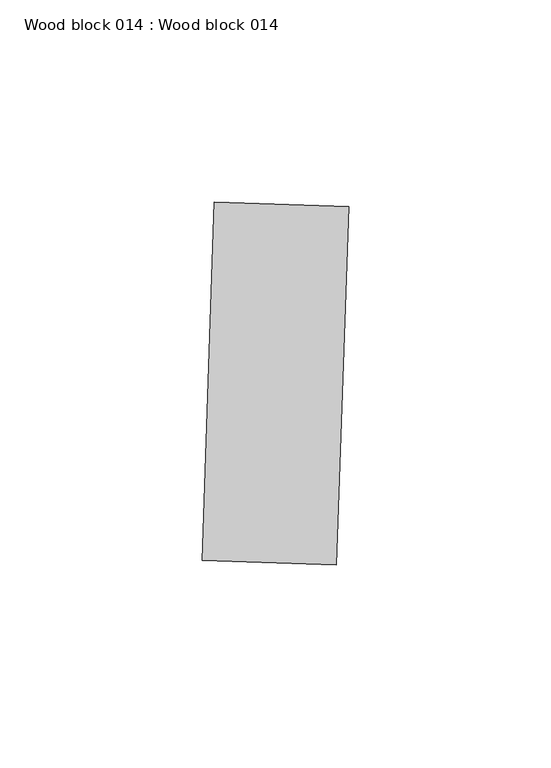
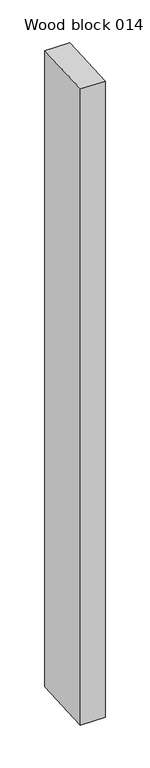
"""IFC4 building model written with IfcOpenShell, lengths in millimetres: proxy geometry, Wood block 014 : Wood block 014."""

from ifc_helpers import new_model, si_unit, frame, origin, place, context, project, spatial, polyline, outline, extrude, source, transform, mapped, element, save


def wood_block_014_wood_block_014_3a9c5463(model_context):
    return source(origin(), model_context, "Body", "SweptSolid", [
        extrude(outline(polyline([(34567.4746663, -15531.8201403), (34570.5108092, -15443.1005919), (34603.7140285, -15444.2368659), (34600.6778855, -15532.9564143), (34567.4746663, -15531.8201403)])), frame((0.0, 0.0, 1597.975708), z_axis=(0.0, 0.0, 1.0), x_axis=(1.0, 0.0, 0.0)), (0.0, 0.0, 1.0), 914.4),
    ])


if __name__ == "__main__":
    model = new_model("IFC4")
    model_context = context("Model", 3, world=origin())
    ifc_project = project(units=[si_unit("LENGTHUNIT", "METRE", prefix="MILLI")], contexts=[model_context])
    site = spatial("IfcSite", under=ifc_project)
    building = spatial("IfcBuilding", under=site)
    placement = place(None, origin())
    wood_block_014_wood_block_014_shape = wood_block_014_wood_block_014_3a9c5463(model_context)
    element("IfcBuildingElementProxy", 1, Name="Wood block 014 : Wood block 014", ObjectType="Wood block 014 : Wood block 014", at=placement, inside=building, context=model_context, shape_type="MappedRepresentation", body=[
        mapped(wood_block_014_wood_block_014_shape, transform((0.0, 0.0, 0.0), x_axis=(1.0, 0.0, 0.0), y_axis=(0.0, 1.0, 0.0), z_axis=(0.0, 0.0, 1.0))),
    ])
    save(model, "model.ifc")
